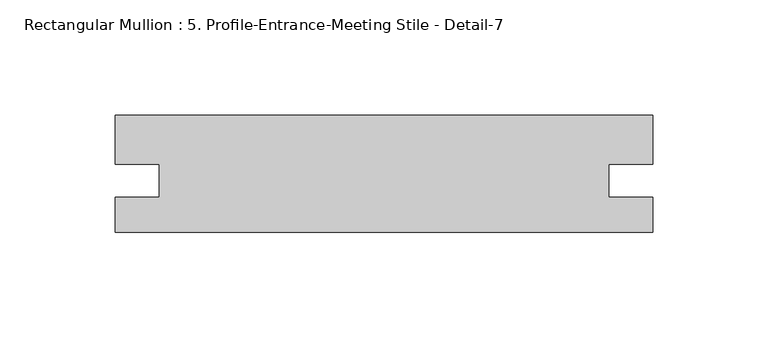
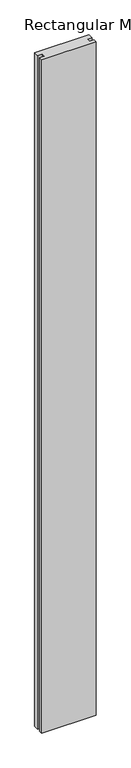
"""IFC4 building model written with IfcOpenShell, lengths in millimetres: member geometry, Rectangular Mullion : 5. Profile-Entrance-Meeting Stile - Detail-7."""

from ifc_helpers import new_model, si_unit, frame, origin, place, context, project, spatial, polyline, outline, extrude, source, transform, mapped, element, save


def rectangular_mullion_5_profile_entrance_meeting_stile_detail_cb27bdfe(model_context):
    return source(origin(), model_context, "Body", "SweptSolid", [
        extrude(outline(polyline([(-233.3481209, 0.0), (-233.3481209, 15.09903), (-214.3235209, 15.09903), (-214.3235209, 29.4157289), (-233.3481196, 29.4157289), (-233.3481196, 50.8), (-1.3e-06, 50.8), (-1.3e-06, 29.4157289), (-19.0246, 29.4157289), (-19.0246, 15.0990287), (0.0, 15.0990287), (0.0, 0.0), (-233.3481209, 0.0)])), frame((0.0, 0.0, -3048.0), z_axis=(0.0, 0.0, 1.0), x_axis=(1.0, 0.0, 0.0)), (0.0, 0.0, 1.0), 3048.0),
    ])


if __name__ == "__main__":
    model = new_model("IFC4")
    model_context = context("Model", 3, world=origin())
    ifc_project = project(units=[si_unit("LENGTHUNIT", "METRE", prefix="MILLI")], contexts=[model_context])
    site = spatial("IfcSite", under=ifc_project)
    building = spatial("IfcBuilding", under=site)
    placement = place(None, origin())
    rectangular_mullion_5_profile_entrance_meeting_stile_detail_shape = rectangular_mullion_5_profile_entrance_meeting_stile_detail_cb27bdfe(model_context)
    element("IfcMember", 1, ObjectType="Rectangular Mullion : 5. Profile-Entrance-Meeting Stile - Detail-7", at=placement, inside=building, context=model_context, shape_type="MappedRepresentation", body=[
        mapped(rectangular_mullion_5_profile_entrance_meeting_stile_detail_shape, transform((0.0, 0.0, 0.0), x_axis=(1.0, 0.0, 0.0), y_axis=(0.0, 1.0, 0.0), z_axis=(0.0, 0.0, 1.0))),
    ])
    save(model, "model.ifc")
